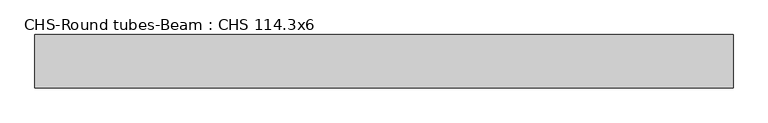
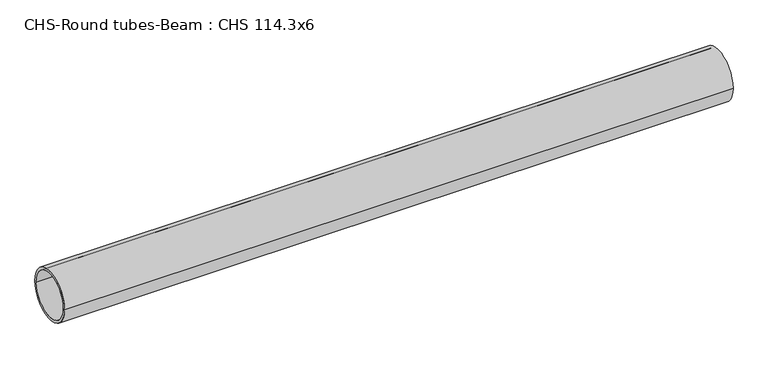
"""IFC4 building model written with IfcOpenShell, lengths in millimetres: beam geometry, CHS-Round tubes-Beam : CHS 114.3x6."""

import ifcopenshell
import ifcopenshell.guid

model = None  # the IFC model being written
_history = None  # IfcOwnerHistory: only IFC2X3 demands one
_inside = {}  # id of a spatial element -> (the spatial element, [elements in it])
_under = {}  # id of a project, library or spatial element -> (it, [spatial elements below it])
_declared = {}  # id of a project -> (the project, [libraries it declares])
_typed = {}  # id of a type object -> (the type object, [elements of that type])
_made_of = {}  # id of a material, layer set ... -> (it, [elements and type objects made of it])


def new_model(schema):
    """Start an empty IFC model of exactly this schema.

    Asked for "IFC4X3", IfcOpenShell would pick the latest addendum, in which some entities
    have other attributes; the version numbers below select the first issue.
    IFC2X3 requires an IfcOwnerHistory on every rooted entity: one is made here for all.
    """
    global model, _history
    if schema == "IFC4X3":
        model = ifcopenshell.file(schema_version=(4, 3, 0, 0))
    else:
        model = ifcopenshell.file(schema=schema)
    _inside.clear()
    _under.clear()
    _declared.clear()
    _typed.clear()
    _made_of.clear()
    _history = None
    if model.schema == "IFC2X3":
        org = make("IfcOrganization", Name="unknown")
        user = make(
            "IfcPersonAndOrganization",
            ThePerson=make("IfcPerson", FamilyName="unknown"),
            TheOrganization=org,
        )
        app = make(
            "IfcApplication",
            ApplicationDeveloper=org,
            Version="unknown",
            ApplicationFullName="unknown",
            ApplicationIdentifier="unknown",
        )
        _history = make(
            "IfcOwnerHistory",
            OwningUser=user,
            OwningApplication=app,
            ChangeAction="ADDED",
            CreationDate=0,
        )
    return model


def make(cls, **values):
    """One entity of the class cls with the attributes given. An attribute that is None is left unset."""
    return model.create_entity(
        cls, **{name: value for name, value in values.items() if value is not None}
    )


def rooted(cls, **values):
    """An entity with a GlobalId (a new one), such as an element, a storey or a relation."""
    return make(cls, GlobalId=ifcopenshell.guid.new(), OwnerHistory=_history, **values)


def si_unit(unit_type, name, prefix=None):
    """IfcSIUnit, for example si_unit("LENGTHUNIT", "METRE", prefix="MILLI")."""
    return make("IfcSIUnit", UnitType=unit_type, Prefix=prefix, Name=name)


def assignment(units):
    """IfcUnitAssignment: the units of a project."""
    return None if units is None else make("IfcUnitAssignment", Units=units)


def point(xyz):
    """IfcCartesianPoint."""
    return None if xyz is None else make("IfcCartesianPoint", Coordinates=xyz)


def direction(xyz):
    """IfcDirection."""
    return None if xyz is None else make("IfcDirection", DirectionRatios=xyz)


def frame(location, z_axis=None, x_axis=None):
    """IfcAxis2Placement3D, a coordinate frame: its origin and axes. An axis left out is left unset."""
    return make(
        "IfcAxis2Placement3D",
        Location=point(location),
        Axis=direction(z_axis),
        RefDirection=direction(x_axis),
    )


def frame_2d(location, x_axis=None):
    """IfcAxis2Placement2D, a coordinate frame in the plane: its origin and x axis."""
    return make(
        "IfcAxis2Placement2D", Location=point(location), RefDirection=direction(x_axis)
    )


def origin():
    """The frame at (0, 0, 0) with its axes left unset."""
    return frame((0.0, 0.0, 0.0))


def origin_2d():
    """The frame at (0, 0) in the plane with its x axis left unset."""
    return frame_2d((0.0, 0.0))


def place(relative_to, where):
    """IfcLocalPlacement: puts the frame where relative to a parent placement (None: the world)."""
    return make(
        "IfcLocalPlacement", PlacementRelTo=relative_to, RelativePlacement=where
    )


def context(
    kind, dimensions, precision=None, world=None, true_north=None, identifier=None
):
    """IfcGeometricRepresentationContext, for example the 3D "Model" context."""
    return make(
        "IfcGeometricRepresentationContext",
        ContextIdentifier=identifier,
        ContextType=kind,
        CoordinateSpaceDimension=dimensions,
        Precision=precision,
        WorldCoordinateSystem=world,
        TrueNorth=true_north,
    )


def project(units=None, contexts=None):
    """IfcProject with its units and contexts."""
    return rooted(
        "IfcProject",
        Name="project",
        RepresentationContexts=contexts,
        UnitsInContext=assignment(units),
    )


def spatial(cls, under=None, at=None, **own):
    """A site, building, storey or space (cls), placed at a placement, below another one or the project."""
    s = rooted(cls, ObjectPlacement=at, **own)
    if under is not None:
        _under.setdefault(under.id(), (under, []))[1].append(s)
    return s


def circle_curve(where, radius):
    """IfcCircle in the frame where."""
    return make("IfcCircle", Position=where, Radius=radius)


def trimmed(basis, trim1, trim2, sense, master):
    """IfcTrimmedCurve: the piece of a basis curve between two trims."""
    return make(
        "IfcTrimmedCurve",
        BasisCurve=basis,
        Trim1=trim1,
        Trim2=trim2,
        SenseAgreement=sense,
        MasterRepresentation=master,
    )


def segment(curve, same_sense, transition):
    """IfcCompositeCurveSegment."""
    return make(
        "IfcCompositeCurveSegment",
        Transition=transition,
        SameSense=same_sense,
        ParentCurve=curve,
    )


def composite_curve(segments, self_intersect=None):
    """IfcCompositeCurve: segments joined end to end."""
    return make("IfcCompositeCurve", Segments=segments, SelfIntersect=self_intersect)


def outline(outer, holes=None, kind="AREA"):
    """IfcArbitraryClosedProfileDef: a profile drawn as a closed curve; with holes, ...WithVoids."""
    if holes is None:
        return make("IfcArbitraryClosedProfileDef", ProfileType=kind, OuterCurve=outer)
    return make(
        "IfcArbitraryProfileDefWithVoids",
        ProfileType=kind,
        OuterCurve=outer,
        InnerCurves=holes,
    )


def extrude(swept, where, along, depth):
    """IfcExtrudedAreaSolid: the profile swept, set in the frame where, extruded along a direction by depth."""
    return make(
        "IfcExtrudedAreaSolid",
        SweptArea=swept,
        Position=where,
        ExtrudedDirection=direction(along),
        Depth=depth,
    )


def shape(context_of_items, identifier, shape_type, items):
    """IfcShapeRepresentation: the items that make up one representation, for example the "Body"."""
    return make(
        "IfcShapeRepresentation",
        ContextOfItems=context_of_items,
        RepresentationIdentifier=identifier,
        RepresentationType=shape_type,
        Items=items,
    )


def source(mapping_origin, context_of_items, identifier, shape_type, items):
    """IfcRepresentationMap: a shape defined once, which mapped items show again and again."""
    return make(
        "IfcRepresentationMap",
        MappingOrigin=mapping_origin,
        MappedRepresentation=shape(context_of_items, identifier, shape_type, items),
    )


def transform(
    local_origin,
    x_axis=None,
    y_axis=None,
    z_axis=None,
    scale=None,
    scale2=None,
    scale3=None,
    uniform=True,
):
    """IfcCartesianTransformationOperator3D, or its non-uniform kind. x_axis, y_axis, z_axis: its Axis1, 2, 3."""
    if uniform:
        return make(
            "IfcCartesianTransformationOperator3D",
            Axis1=direction(x_axis),
            Axis2=direction(y_axis),
            LocalOrigin=point(local_origin),
            Scale=scale,
            Axis3=direction(z_axis),
        )
    return make(
        "IfcCartesianTransformationOperator3DnonUniform",
        Axis1=direction(x_axis),
        Axis2=direction(y_axis),
        LocalOrigin=point(local_origin),
        Scale=scale,
        Axis3=direction(z_axis),
        Scale2=scale2,
        Scale3=scale3,
    )


def mapped(mapping_source, mapping_target):
    """IfcMappedItem: shows the shape of a source again, moved by a transform."""
    return make(
        "IfcMappedItem", MappingSource=mapping_source, MappingTarget=mapping_target
    )


def made_of(thing, what):
    """Note that an element or type object is made of a material, layer set ...; save() writes the relation."""
    if what is not None:
        _made_of.setdefault(what.id(), (what, []))[1].append(thing)
    return thing


def element(
    cls,
    number,
    at=None,
    inside=None,
    cuts=None,
    type_object=None,
    material=None,
    context=None,
    identifier="Body",
    shape_type=None,
    held_by="IfcProductDefinitionShape",
    body=None,
    shapes=None,
    **own,
):
    """One element of the class cls, such as IfcWall. Its Tag is "e" and its number.

    at: its placement. inside: the storey or other place that contains it. cuts: it is an
    opening in that element (IfcRelVoidsElement). A single representation is given by context,
    identifier, shape_type and body (its items); several are given by shapes. held_by: the class
    of the entity that holds the representations. save() writes the other relations.
    """
    e = rooted(cls, Tag="e%d" % number, ObjectPlacement=at, **own)
    if body is not None:
        shapes = [shape(context, identifier, shape_type, body)]
    if shapes is not None:
        e.Representation = make(held_by, Representations=shapes)
    if inside is not None:
        _inside.setdefault(inside.id(), (inside, []))[1].append(e)
    if cuts is not None:
        rooted(
            "IfcRelVoidsElement", RelatingBuildingElement=cuts, RelatedOpeningElement=e
        )
    if type_object is not None:
        _typed.setdefault(type_object.id(), (type_object, []))[1].append(e)
    return made_of(e, material)


def aggregate(whole, parts):
    """IfcRelAggregates: a whole, such as a stair, and the parts it consists of."""
    return rooted("IfcRelAggregates", RelatingObject=whole, RelatedObjects=parts)


def save(model, path):
    """Write the relations noted so far, then the file.

    IfcRelAggregates (storeys below a building ...), IfcRelContainedInSpatialStructure (elements
    in a storey), IfcRelDefinesByType, IfcRelAssociatesMaterial and IfcRelDeclares: one each for
    every whole, place, type object, material and project.
    """
    for whole, parts in _under.values():
        aggregate(whole, parts)
    for where, things in _inside.values():
        rooted(
            "IfcRelContainedInSpatialStructure",
            RelatedElements=things,
            RelatingStructure=where,
        )
    for kind, things in _typed.values():
        rooted("IfcRelDefinesByType", RelatedObjects=things, RelatingType=kind)
    for what, things in _made_of.values():
        rooted("IfcRelAssociatesMaterial", RelatedObjects=things, RelatingMaterial=what)
    for by, libraries in _declared.values():
        rooted("IfcRelDeclares", RelatingContext=by, RelatedDefinitions=libraries)
    model.write(path)


def chs_round_tubes_beam_chs_114_3x6_81bae807(model_context):
    return source(origin(), model_context, "Body", "SweptSolid", [
        extrude(outline(composite_curve([segment(trimmed(circle_curve(origin_2d(), 57.15), [point((57.15, 0.0))], [point((-57.15, 0.0))], False, "CARTESIAN"), True, "CONTINUOUS"), segment(trimmed(circle_curve(origin_2d(), 57.15), [point((-57.15, 0.0))], [point((57.15, 0.0))], False, "CARTESIAN"), True, "CONTINUOUS")], self_intersect=False), holes=[composite_curve([segment(trimmed(circle_curve(origin_2d(), 51.15), [point((51.15, 0.0))], [point((-51.15, 0.0))], True, "CARTESIAN"), True, "CONTINUOUS"), segment(trimmed(circle_curve(origin_2d(), 51.15), [point((-51.15, 0.0))], [point((51.15, 0.0))], True, "CARTESIAN"), True, "CONTINUOUS")], self_intersect=False)]), frame((-745.027301, 0.0, 0.0), z_axis=(1.0, 0.0, 0.0), x_axis=(0.0, 1.0, 0.0)), (0.0, 0.0, 1.0), 1495.109197),
    ])


if __name__ == "__main__":
    model = new_model("IFC4")
    model_context = context("Model", 3, world=origin())
    ifc_project = project(units=[si_unit("LENGTHUNIT", "METRE", prefix="MILLI")], contexts=[model_context])
    site = spatial("IfcSite", under=ifc_project)
    building = spatial("IfcBuilding", under=site)
    placement = place(None, origin())
    chs_round_tubes_beam_chs_114_3x6_shape = chs_round_tubes_beam_chs_114_3x6_81bae807(model_context)
    element("IfcBeam", 1, ObjectType="CHS-Round tubes-Beam : CHS 114.3x6", at=placement, inside=building, context=model_context, shape_type="MappedRepresentation", body=[
        mapped(chs_round_tubes_beam_chs_114_3x6_shape, transform((0.0, 0.0, 0.0), x_axis=(1.0, 0.0, 0.0), y_axis=(0.0, 1.0, 0.0), z_axis=(0.0, 0.0, 1.0))),
    ])
    save(model, "model.ifc")
